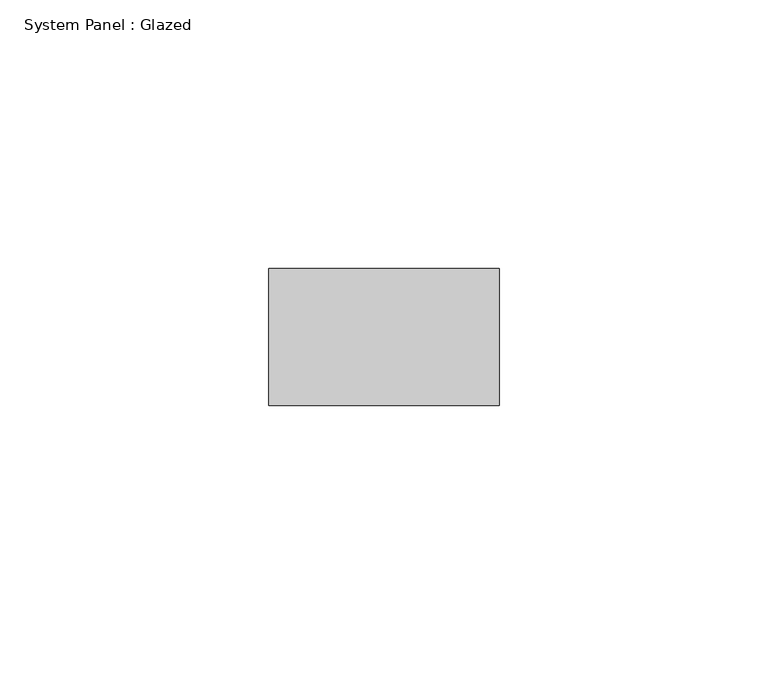
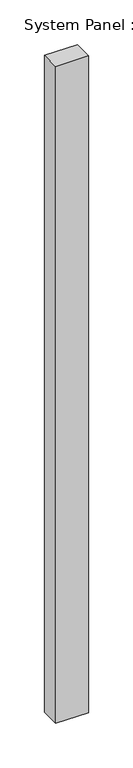
"""IFC4 building model written with IfcOpenShell, lengths in millimetres: plate geometry, System Panel : Glazed."""

from ifc_helpers import new_model, si_unit, origin, origin_with_axes, place, context, project, spatial, polyline, outline, extrude, source, transform, mapped, element, save


def system_panel_glazed_a099815c(model_context):
    return source(origin(), model_context, "Body", "SweptSolid", [
        extrude(outline(polyline([(21.4, 19.05), (-21.4, 19.05), (-21.4, 44.45), (21.4, 44.45), (21.4, 19.05)])), origin_with_axes(), (0.0, 0.0, 1.0), 900.0),
    ])


if __name__ == "__main__":
    model = new_model("IFC4")
    model_context = context("Model", 3, world=origin())
    ifc_project = project(units=[si_unit("LENGTHUNIT", "METRE", prefix="MILLI")], contexts=[model_context])
    site = spatial("IfcSite", under=ifc_project)
    building = spatial("IfcBuilding", under=site)
    placement = place(None, origin())
    system_panel_glazed_shape = system_panel_glazed_a099815c(model_context)
    element("IfcPlate", 1, ObjectType="System Panel : Glazed", at=placement, inside=building, context=model_context, shape_type="MappedRepresentation", body=[
        mapped(system_panel_glazed_shape, transform((0.0, 0.0, 0.0), x_axis=(1.0, 0.0, 0.0), y_axis=(0.0, 1.0, 0.0), z_axis=(0.0, 0.0, 1.0))),
    ])
    save(model, "model.ifc")
